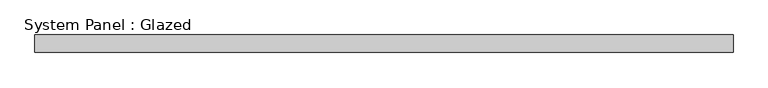
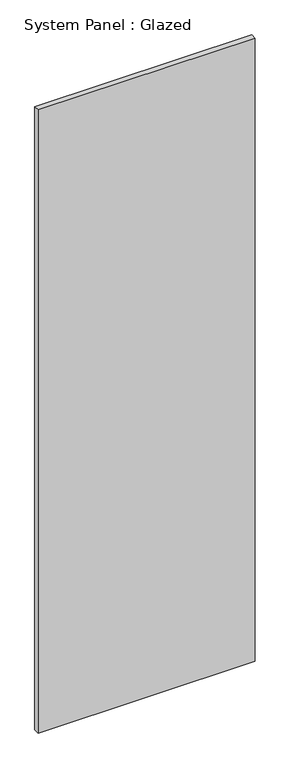
"""IFC4 building model written with IfcOpenShell, lengths in millimetres: plate geometry, System Panel : Glazed."""

import ifcopenshell
import ifcopenshell.guid

model = None  # the IFC model being written
_history = None  # IfcOwnerHistory: only IFC2X3 demands one
_inside = {}  # id of a spatial element -> (the spatial element, [elements in it])
_under = {}  # id of a project, library or spatial element -> (it, [spatial elements below it])
_declared = {}  # id of a project -> (the project, [libraries it declares])
_typed = {}  # id of a type object -> (the type object, [elements of that type])
_made_of = {}  # id of a material, layer set ... -> (it, [elements and type objects made of it])


def new_model(schema):
    """Start an empty IFC model of exactly this schema.

    Asked for "IFC4X3", IfcOpenShell would pick the latest addendum, in which some entities
    have other attributes; the version numbers below select the first issue.
    IFC2X3 requires an IfcOwnerHistory on every rooted entity: one is made here for all.
    """
    global model, _history
    if schema == "IFC4X3":
        model = ifcopenshell.file(schema_version=(4, 3, 0, 0))
    else:
        model = ifcopenshell.file(schema=schema)
    _inside.clear()
    _under.clear()
    _declared.clear()
    _typed.clear()
    _made_of.clear()
    _history = None
    if model.schema == "IFC2X3":
        org = make("IfcOrganization", Name="unknown")
        user = make(
            "IfcPersonAndOrganization",
            ThePerson=make("IfcPerson", FamilyName="unknown"),
            TheOrganization=org,
        )
        app = make(
            "IfcApplication",
            ApplicationDeveloper=org,
            Version="unknown",
            ApplicationFullName="unknown",
            ApplicationIdentifier="unknown",
        )
        _history = make(
            "IfcOwnerHistory",
            OwningUser=user,
            OwningApplication=app,
            ChangeAction="ADDED",
            CreationDate=0,
        )
    return model


def make(cls, **values):
    """One entity of the class cls with the attributes given. An attribute that is None is left unset."""
    return model.create_entity(
        cls, **{name: value for name, value in values.items() if value is not None}
    )


def rooted(cls, **values):
    """An entity with a GlobalId (a new one), such as an element, a storey or a relation."""
    return make(cls, GlobalId=ifcopenshell.guid.new(), OwnerHistory=_history, **values)


def si_unit(unit_type, name, prefix=None):
    """IfcSIUnit, for example si_unit("LENGTHUNIT", "METRE", prefix="MILLI")."""
    return make("IfcSIUnit", UnitType=unit_type, Prefix=prefix, Name=name)


def assignment(units):
    """IfcUnitAssignment: the units of a project."""
    return None if units is None else make("IfcUnitAssignment", Units=units)


def point(xyz):
    """IfcCartesianPoint."""
    return None if xyz is None else make("IfcCartesianPoint", Coordinates=xyz)


def direction(xyz):
    """IfcDirection."""
    return None if xyz is None else make("IfcDirection", DirectionRatios=xyz)


def frame(location, z_axis=None, x_axis=None):
    """IfcAxis2Placement3D, a coordinate frame: its origin and axes. An axis left out is left unset."""
    return make(
        "IfcAxis2Placement3D",
        Location=point(location),
        Axis=direction(z_axis),
        RefDirection=direction(x_axis),
    )


def origin():
    """The frame at (0, 0, 0) with its axes left unset."""
    return frame((0.0, 0.0, 0.0))


def origin_with_axes():
    """The frame at (0, 0, 0) with the z axis (0, 0, 1) and the x axis (1, 0, 0) written out."""
    return frame((0.0, 0.0, 0.0), z_axis=(0.0, 0.0, 1.0), x_axis=(1.0, 0.0, 0.0))


def place(relative_to, where):
    """IfcLocalPlacement: puts the frame where relative to a parent placement (None: the world)."""
    return make(
        "IfcLocalPlacement", PlacementRelTo=relative_to, RelativePlacement=where
    )


def context(
    kind, dimensions, precision=None, world=None, true_north=None, identifier=None
):
    """IfcGeometricRepresentationContext, for example the 3D "Model" context."""
    return make(
        "IfcGeometricRepresentationContext",
        ContextIdentifier=identifier,
        ContextType=kind,
        CoordinateSpaceDimension=dimensions,
        Precision=precision,
        WorldCoordinateSystem=world,
        TrueNorth=true_north,
    )


def project(units=None, contexts=None):
    """IfcProject with its units and contexts."""
    return rooted(
        "IfcProject",
        Name="project",
        RepresentationContexts=contexts,
        UnitsInContext=assignment(units),
    )


def spatial(cls, under=None, at=None, **own):
    """A site, building, storey or space (cls), placed at a placement, below another one or the project."""
    s = rooted(cls, ObjectPlacement=at, **own)
    if under is not None:
        _under.setdefault(under.id(), (under, []))[1].append(s)
    return s


def polyline(points):
    """IfcPolyline through the points."""
    return make("IfcPolyline", Points=[point(p) for p in points])


def outline(outer, holes=None, kind="AREA"):
    """IfcArbitraryClosedProfileDef: a profile drawn as a closed curve; with holes, ...WithVoids."""
    if holes is None:
        return make("IfcArbitraryClosedProfileDef", ProfileType=kind, OuterCurve=outer)
    return make(
        "IfcArbitraryProfileDefWithVoids",
        ProfileType=kind,
        OuterCurve=outer,
        InnerCurves=holes,
    )


def extrude(swept, where, along, depth):
    """IfcExtrudedAreaSolid: the profile swept, set in the frame where, extruded along a direction by depth."""
    return make(
        "IfcExtrudedAreaSolid",
        SweptArea=swept,
        Position=where,
        ExtrudedDirection=direction(along),
        Depth=depth,
    )


def shape(context_of_items, identifier, shape_type, items):
    """IfcShapeRepresentation: the items that make up one representation, for example the "Body"."""
    return make(
        "IfcShapeRepresentation",
        ContextOfItems=context_of_items,
        RepresentationIdentifier=identifier,
        RepresentationType=shape_type,
        Items=items,
    )


def source(mapping_origin, context_of_items, identifier, shape_type, items):
    """IfcRepresentationMap: a shape defined once, which mapped items show again and again."""
    return make(
        "IfcRepresentationMap",
        MappingOrigin=mapping_origin,
        MappedRepresentation=shape(context_of_items, identifier, shape_type, items),
    )


def transform(
    local_origin,
    x_axis=None,
    y_axis=None,
    z_axis=None,
    scale=None,
    scale2=None,
    scale3=None,
    uniform=True,
):
    """IfcCartesianTransformationOperator3D, or its non-uniform kind. x_axis, y_axis, z_axis: its Axis1, 2, 3."""
    if uniform:
        return make(
            "IfcCartesianTransformationOperator3D",
            Axis1=direction(x_axis),
            Axis2=direction(y_axis),
            LocalOrigin=point(local_origin),
            Scale=scale,
            Axis3=direction(z_axis),
        )
    return make(
        "IfcCartesianTransformationOperator3DnonUniform",
        Axis1=direction(x_axis),
        Axis2=direction(y_axis),
        LocalOrigin=point(local_origin),
        Scale=scale,
        Axis3=direction(z_axis),
        Scale2=scale2,
        Scale3=scale3,
    )


def mapped(mapping_source, mapping_target):
    """IfcMappedItem: shows the shape of a source again, moved by a transform."""
    return make(
        "IfcMappedItem", MappingSource=mapping_source, MappingTarget=mapping_target
    )


def made_of(thing, what):
    """Note that an element or type object is made of a material, layer set ...; save() writes the relation."""
    if what is not None:
        _made_of.setdefault(what.id(), (what, []))[1].append(thing)
    return thing


def element(
    cls,
    number,
    at=None,
    inside=None,
    cuts=None,
    type_object=None,
    material=None,
    context=None,
    identifier="Body",
    shape_type=None,
    held_by="IfcProductDefinitionShape",
    body=None,
    shapes=None,
    **own,
):
    """One element of the class cls, such as IfcWall. Its Tag is "e" and its number.

    at: its placement. inside: the storey or other place that contains it. cuts: it is an
    opening in that element (IfcRelVoidsElement). A single representation is given by context,
    identifier, shape_type and body (its items); several are given by shapes. held_by: the class
    of the entity that holds the representations. save() writes the other relations.
    """
    e = rooted(cls, Tag="e%d" % number, ObjectPlacement=at, **own)
    if body is not None:
        shapes = [shape(context, identifier, shape_type, body)]
    if shapes is not None:
        e.Representation = make(held_by, Representations=shapes)
    if inside is not None:
        _inside.setdefault(inside.id(), (inside, []))[1].append(e)
    if cuts is not None:
        rooted(
            "IfcRelVoidsElement", RelatingBuildingElement=cuts, RelatedOpeningElement=e
        )
    if type_object is not None:
        _typed.setdefault(type_object.id(), (type_object, []))[1].append(e)
    return made_of(e, material)


def aggregate(whole, parts):
    """IfcRelAggregates: a whole, such as a stair, and the parts it consists of."""
    return rooted("IfcRelAggregates", RelatingObject=whole, RelatedObjects=parts)


def save(model, path):
    """Write the relations noted so far, then the file.

    IfcRelAggregates (storeys below a building ...), IfcRelContainedInSpatialStructure (elements
    in a storey), IfcRelDefinesByType, IfcRelAssociatesMaterial and IfcRelDeclares: one each for
    every whole, place, type object, material and project.
    """
    for whole, parts in _under.values():
        aggregate(whole, parts)
    for where, things in _inside.values():
        rooted(
            "IfcRelContainedInSpatialStructure",
            RelatedElements=things,
            RelatingStructure=where,
        )
    for kind, things in _typed.values():
        rooted("IfcRelDefinesByType", RelatedObjects=things, RelatingType=kind)
    for what, things in _made_of.values():
        rooted("IfcRelAssociatesMaterial", RelatedObjects=things, RelatingMaterial=what)
    for by, libraries in _declared.values():
        rooted("IfcRelDeclares", RelatingContext=by, RelatedDefinitions=libraries)
    model.write(path)


def system_panel_glazed_3d4a4cf4(model_context):
    return source(origin(), model_context, "Body", "SweptSolid", [
        extrude(outline(polyline([(509.044332, 19.05), (-509.044332, 19.05), (-509.044332, 44.45), (509.044332, 44.45), (509.044332, 19.05)])), origin_with_axes(), (0.0, 0.0, 1.0), 3086.1),
    ])


if __name__ == "__main__":
    model = new_model("IFC4")
    model_context = context("Model", 3, world=origin())
    ifc_project = project(units=[si_unit("LENGTHUNIT", "METRE", prefix="MILLI")], contexts=[model_context])
    site = spatial("IfcSite", under=ifc_project)
    building = spatial("IfcBuilding", under=site)
    placement = place(None, origin())
    system_panel_glazed_shape = system_panel_glazed_3d4a4cf4(model_context)
    element("IfcPlate", 1, ObjectType="System Panel : Glazed", at=placement, inside=building, context=model_context, shape_type="MappedRepresentation", body=[
        mapped(system_panel_glazed_shape, transform((0.0, 0.0, 0.0), x_axis=(1.0, 0.0, 0.0), y_axis=(0.0, 1.0, 0.0), z_axis=(0.0, 0.0, 1.0))),
    ])
    save(model, "model.ifc")
